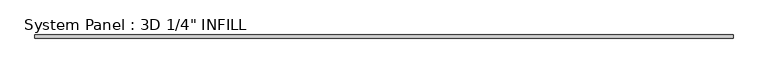
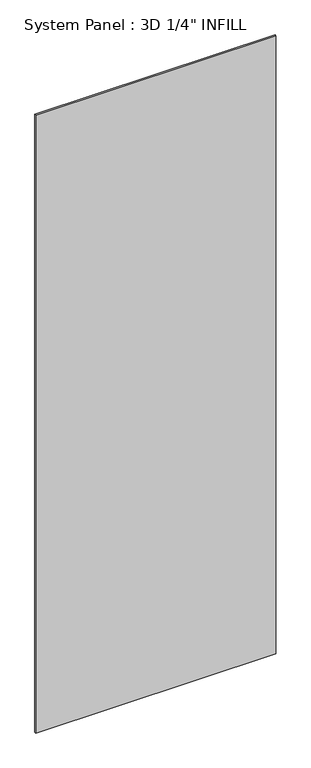
"""IFC4 building model written with IfcOpenShell, lengths in millimetres: plate geometry."""

from ifc_helpers import new_model, si_unit, origin, origin_with_axes, place, context, project, spatial, polyline, outline, extrude, source, transform, mapped, element, save


def plate_a68ea4bb(model_context):
    return source(origin(), model_context, "Body", "SweptSolid", [
        extrude(outline(polyline([(649.1581528, 1.0914063), (-649.1581528, 1.0914063), (-649.1581528, 7.4414063), (649.1581528, 7.4414063), (649.1581528, 1.0914063)])), origin_with_axes(), (0.0, 0.0, 1.0), 3530.6),
    ])


if __name__ == "__main__":
    model = new_model("IFC4")
    model_context = context("Model", 3, world=origin())
    ifc_project = project(units=[si_unit("LENGTHUNIT", "METRE", prefix="MILLI")], contexts=[model_context])
    site = spatial("IfcSite", under=ifc_project)
    building = spatial("IfcBuilding", under=site)
    placement = place(None, origin())
    plate_shape = plate_a68ea4bb(model_context)
    element("IfcPlate", 1, ObjectType="System Panel : 3D 1/4\" INFILL", at=placement, inside=building, context=model_context, shape_type="MappedRepresentation", body=[
        mapped(plate_shape, transform((0.0, 0.0, 0.0), x_axis=(1.0, 0.0, 0.0), y_axis=(0.0, 1.0, 0.0), z_axis=(0.0, 0.0, 1.0))),
    ])
    save(model, "model.ifc")
